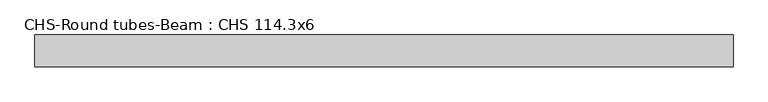
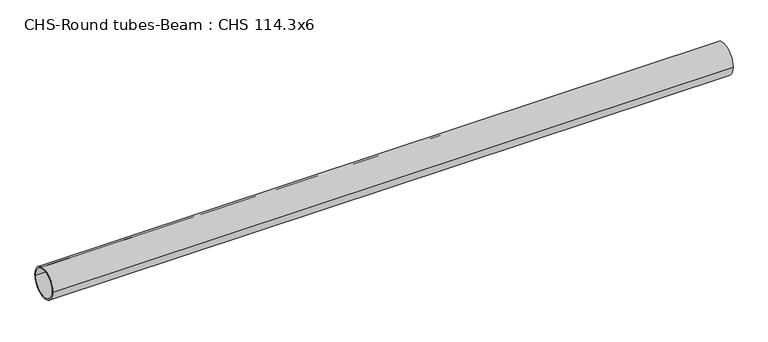
"""IFC4 building model written with IfcOpenShell, lengths in millimetres: beam geometry, CHS-Round tubes-Beam : CHS 114.3x6."""

from ifc_helpers import new_model, si_unit, point, frame, origin, origin_2d, place, context, project, spatial, circle_curve, trimmed, segment, composite_curve, outline, extrude, source, transform, mapped, element, save


def chs_round_tubes_beam_chs_114_3x6_4d3fd7ad(model_context):
    return source(origin(), model_context, "Body", "SweptSolid", [
        extrude(outline(composite_curve([segment(trimmed(circle_curve(origin_2d(), 57.15), [point((57.15, 0.0))], [point((-57.15, 0.0))], False, "CARTESIAN"), True, "CONTINUOUS"), segment(trimmed(circle_curve(origin_2d(), 57.15), [point((-57.15, 0.0))], [point((57.15, 0.0))], False, "CARTESIAN"), True, "CONTINUOUS")], self_intersect=False), holes=[composite_curve([segment(trimmed(circle_curve(origin_2d(), 51.15), [point((51.15, 0.0))], [point((-51.15, 0.0))], True, "CARTESIAN"), True, "CONTINUOUS"), segment(trimmed(circle_curve(origin_2d(), 51.15), [point((-51.15, 0.0))], [point((51.15, 0.0))], True, "CARTESIAN"), True, "CONTINUOUS")], self_intersect=False)]), frame((-1203.8945512, 0.0, 0.0), z_axis=(1.0, 0.0, 0.0), x_axis=(0.0, 1.0, 0.0)), (0.0, 0.0, 1.0), 2515.3299277),
    ])


if __name__ == "__main__":
    model = new_model("IFC4")
    model_context = context("Model", 3, world=origin())
    ifc_project = project(units=[si_unit("LENGTHUNIT", "METRE", prefix="MILLI")], contexts=[model_context])
    site = spatial("IfcSite", under=ifc_project)
    building = spatial("IfcBuilding", under=site)
    placement = place(None, origin())
    chs_round_tubes_beam_chs_114_3x6_shape = chs_round_tubes_beam_chs_114_3x6_4d3fd7ad(model_context)
    element("IfcBeam", 1, ObjectType="CHS-Round tubes-Beam : CHS 114.3x6", at=placement, inside=building, context=model_context, shape_type="MappedRepresentation", body=[
        mapped(chs_round_tubes_beam_chs_114_3x6_shape, transform((0.0, 0.0, 0.0), x_axis=(1.0, 0.0, 0.0), y_axis=(0.0, 1.0, 0.0), z_axis=(0.0, 0.0, 1.0))),
    ])
    save(model, "model.ifc")
